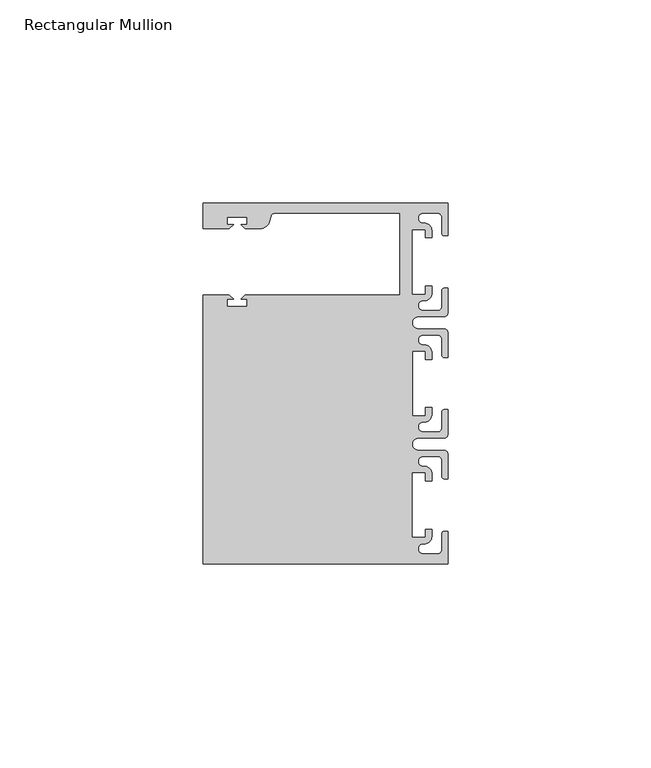
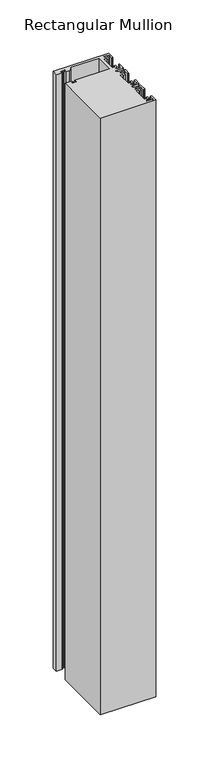
"""IFC4 building model written with IfcOpenShell, lengths in millimetres: member geometry, Rectangular Mullion."""

from ifc_helpers import new_model, si_unit, point, frame, frame_2d, origin, place, context, project, spatial, polyline, circle_curve, trimmed, segment, composite_curve, outline, extrude, source, transform, mapped, element, save


def rectangular_mullion_bed5914f(model_context):
    return source(origin(), model_context, "Body", "SweptSolid", [
        extrude(outline(composite_curve([segment(polyline([(0.0, 44.45), (0.0, 36.4500318), (-1.0, 36.4500318)]), True, "CONTINUOUS"), segment(trimmed(circle_curve(frame_2d((-1.0, 36.9500318)), 0.5), [point((-1.0, 36.4500318))], [point((-1.5, 36.9500318))], False, "CARTESIAN"), True, "CONTINUOUS"), segment(polyline([(-1.5, 36.9500318), (-1.5, 40.95)]), True, "CONTINUOUS"), segment(trimmed(circle_curve(frame_2d((-2.5, 40.95)), 1.0), [point((-1.5, 40.95))], [point((-2.5, 41.95))], True, "CARTESIAN"), True, "CONTINUOUS"), segment(polyline([(-2.5, 41.95), (-6.0499986, 41.95)]), True, "CONTINUOUS"), segment(trimmed(circle_curve(frame_2d((-6.0499986, 40.6999986)), 1.2500014), [point((-6.0499986, 41.95))], [point((-5.9027291, 39.4587029))], True, "CARTESIAN"), True, "CONTINUOUS"), segment(trimmed(circle_curve(frame_2d((-5.7186029, 37.7499972)), 1.7185975), [point((-5.9027291, 39.4587029))], [point((-4.0000054, 37.7499972))], False, "CARTESIAN"), True, "CONTINUOUS"), segment(polyline([(-4.0000054, 37.7499972), (-4.0000054, 35.9500318), (-5.5, 35.9500318), (-5.5, 37.9499972), (-8.8585786, 37.9499972), (-8.8585786, 21.9499956), (-5.5, 21.9499956), (-5.5, 23.9499611), (-3.9999946, 23.9499611), (-3.9999946, 22.0272972)]), True, "CONTINUOUS"), segment(trimmed(circle_curve(frame_2d((-5.7543344, 22.1865598)), 1.761554), [point((-3.9999946, 22.0272972))], [point((-6.0499986, 20.4499956))], False, "CARTESIAN"), True, "CONTINUOUS"), segment(trimmed(circle_curve(frame_2d((-6.0499986, 19.1999942)), 1.2500014), [point((-6.0499986, 20.4499956))], [point((-6.0499986, 17.9499929))], True, "CARTESIAN"), True, "CONTINUOUS"), segment(polyline([(-6.0499986, 17.9499929), (-2.5, 17.9499929)]), True, "CONTINUOUS"), segment(trimmed(circle_curve(frame_2d((-2.5, 18.9499929)), 1.0), [point((-2.5, 17.9499929))], [point((-1.5, 18.9499929))], True, "CARTESIAN"), True, "CONTINUOUS"), segment(polyline([(-1.5, 18.9499929), (-1.5, 22.9499611)]), True, "CONTINUOUS"), segment(trimmed(circle_curve(frame_2d((-1.0, 22.9499611)), 0.5), [point((-1.5, 22.9499611))], [point((-1.0, 23.4499611))], False, "CARTESIAN"), True, "CONTINUOUS"), segment(polyline([(-1.0, 23.4499611), (0.0, 23.4499611), (0.0, 17.4499929)]), True, "CONTINUOUS"), segment(trimmed(circle_curve(frame_2d((-1.0, 17.4499929)), 1.0), [point((0.0, 17.4499929))], [point((-1.0, 16.4499929))], False, "CARTESIAN"), True, "CONTINUOUS"), segment(polyline([(-1.0, 16.4499929), (-7.3, 16.4499929)]), True, "CONTINUOUS"), segment(trimmed(circle_curve(frame_2d((-7.3, 14.9499929)), 1.5), [point((-7.3, 16.4499929))], [point((-7.3046244, 13.45))], True, "CARTESIAN"), True, "CONTINUOUS"), segment(polyline([(-7.3046244, 13.45), (-1.0, 13.45)]), True, "CONTINUOUS"), segment(trimmed(circle_curve(frame_2d((-1.0, 12.45)), 1.0), [point((-1.0, 13.45))], [point((0.0, 12.45))], False, "CARTESIAN"), True, "CONTINUOUS"), segment(polyline([(0.0, 12.45), (0.0, 6.4500354), (-0.9999964, 6.4500354)]), True, "CONTINUOUS"), segment(trimmed(circle_curve(frame_2d((-0.9999964, 6.9500354)), 0.5), [point((-0.9999964, 6.4500354))], [point((-1.4999964, 6.9500354))], False, "CARTESIAN"), True, "CONTINUOUS"), segment(polyline([(-1.4999964, 6.9500354), (-1.4999964, 10.95)]), True, "CONTINUOUS"), segment(trimmed(circle_curve(frame_2d((-2.4999964, 10.95)), 1.0), [point((-1.4999964, 10.95))], [point((-2.4999964, 11.95))], True, "CARTESIAN"), True, "CONTINUOUS"), segment(polyline([(-2.4999964, 11.95), (-6.0499986, 11.95)]), True, "CONTINUOUS"), segment(trimmed(circle_curve(frame_2d((-6.0499986, 10.6999986)), 1.2500014), [point((-6.0499986, 11.95))], [point((-6.0499986, 9.4499972))], True, "CARTESIAN"), True, "CONTINUOUS"), segment(trimmed(circle_curve(frame_2d((-5.7298824, 7.7499972)), 1.729877), [point((-6.0499986, 9.4499972))], [point((-4.0000054, 7.7499972))], False, "CARTESIAN"), True, "CONTINUOUS"), segment(polyline([(-4.0000054, 7.7499972), (-4.0000054, 5.9500318), (-5.5, 5.9500318), (-5.5, 7.9499972), (-8.8, 7.9499972), (-8.8, -7.9499972), (-5.5, -7.9499972), (-5.5, -5.9500318), (-4.0000054, -5.9500318), (-4.0000054, -7.7499972)]), True, "CONTINUOUS"), segment(trimmed(circle_curve(frame_2d((-5.7298824, -7.7499972)), 1.729877), [point((-4.0000054, -7.7499972))], [point((-6.0499986, -9.4499972))], False, "CARTESIAN"), True, "CONTINUOUS"), segment(trimmed(circle_curve(frame_2d((-6.0499986, -10.6999986)), 1.2500014), [point((-6.0499986, -9.4499972))], [point((-6.0499986, -11.95))], True, "CARTESIAN"), True, "CONTINUOUS"), segment(polyline([(-6.0499986, -11.95), (-2.4999964, -11.95)]), True, "CONTINUOUS"), segment(trimmed(circle_curve(frame_2d((-2.4999964, -10.95)), 1.0), [point((-2.4999964, -11.95))], [point((-1.4999964, -10.95))], True, "CARTESIAN"), True, "CONTINUOUS"), segment(polyline([(-1.4999964, -10.95), (-1.4999964, -6.9500354)]), True, "CONTINUOUS"), segment(trimmed(circle_curve(frame_2d((-0.9999964, -6.9500354)), 0.5), [point((-1.4999964, -6.9500354))], [point((-0.9999964, -6.4500354))], False, "CARTESIAN"), True, "CONTINUOUS"), segment(polyline([(-0.9999964, -6.4500354), (0.0, -6.4500354), (0.0, -12.45)]), True, "CONTINUOUS"), segment(trimmed(circle_curve(frame_2d((-1.0, -12.45)), 1.0), [point((0.0, -12.45))], [point((-1.0, -13.45))], False, "CARTESIAN"), True, "CONTINUOUS"), segment(polyline([(-1.0, -13.45), (-7.3046244, -13.45)]), True, "CONTINUOUS"), segment(trimmed(circle_curve(frame_2d((-7.3, -14.9499929)), 1.5), [point((-7.3046244, -13.45))], [point((-7.3, -16.4499929))], True, "CARTESIAN"), True, "CONTINUOUS"), segment(polyline([(-7.3, -16.4499929), (-1.0, -16.4499929)]), True, "CONTINUOUS"), segment(trimmed(circle_curve(frame_2d((-1.0, -17.4499929)), 1.0), [point((-1.0, -16.4499929))], [point((0.0, -17.4499929))], False, "CARTESIAN"), True, "CONTINUOUS"), segment(polyline([(0.0, -17.4499929), (0.0, -23.4499611), (-1.0, -23.4499611)]), True, "CONTINUOUS"), segment(trimmed(circle_curve(frame_2d((-1.0, -22.9499611)), 0.5), [point((-1.0, -23.4499611))], [point((-1.5, -22.9499611))], False, "CARTESIAN"), True, "CONTINUOUS"), segment(polyline([(-1.5, -22.9499611), (-1.5, -18.9499929)]), True, "CONTINUOUS"), segment(trimmed(circle_curve(frame_2d((-2.5, -18.9499929)), 1.0), [point((-1.5, -18.9499929))], [point((-2.5, -17.9499929))], True, "CARTESIAN"), True, "CONTINUOUS"), segment(polyline([(-2.5, -17.9499929), (-6.0499986, -17.9499929)]), True, "CONTINUOUS"), segment(trimmed(circle_curve(frame_2d((-6.0499986, -19.1999942)), 1.2500014), [point((-6.0499986, -17.9499929))], [point((-6.0499986, -20.4499956))], True, "CARTESIAN"), True, "CONTINUOUS"), segment(trimmed(circle_curve(frame_2d((-5.7543344, -22.1865598)), 1.761554), [point((-6.0499986, -20.4499956))], [point((-3.9999946, -22.0272972))], False, "CARTESIAN"), True, "CONTINUOUS"), segment(polyline([(-3.9999946, -22.0272972), (-3.9999946, -23.9499611), (-5.5, -23.9499611), (-5.5, -21.9499956), (-8.8585786, -21.9499956), (-8.8585786, -37.9499972), (-5.5, -37.9499972), (-5.5, -35.9500318), (-4.0000054, -35.9500318), (-4.0000054, -37.7499972)]), True, "CONTINUOUS"), segment(trimmed(circle_curve(frame_2d((-5.7186029, -37.7499972)), 1.7185975), [point((-4.0000054, -37.7499972))], [point((-5.9027291, -39.4587029))], False, "CARTESIAN"), True, "CONTINUOUS"), segment(trimmed(circle_curve(frame_2d((-6.0499986, -40.6999986)), 1.2500014), [point((-5.9027291, -39.4587029))], [point((-6.0499986, -41.95))], True, "CARTESIAN"), True, "CONTINUOUS"), segment(polyline([(-6.0499986, -41.95), (-2.5, -41.95)]), True, "CONTINUOUS"), segment(trimmed(circle_curve(frame_2d((-2.5, -40.95)), 1.0), [point((-2.5, -41.95))], [point((-1.5, -40.95))], True, "CARTESIAN"), True, "CONTINUOUS"), segment(polyline([(-1.5, -40.95), (-1.5, -36.9500318)]), True, "CONTINUOUS"), segment(trimmed(circle_curve(frame_2d((-1.0, -36.9500318)), 0.5), [point((-1.5, -36.9500318))], [point((-1.0, -36.4500318))], False, "CARTESIAN"), True, "CONTINUOUS"), segment(polyline([(-1.0, -36.4500318), (0.0, -36.4500318), (0.0, -44.45), (-60.325, -44.45), (-60.325, 21.749999), (-53.8507562, 21.749999), (-52.8507405, 20.7499834), (-54.4250134, 20.7499834), (-54.4250134, 18.949936), (-49.4250186, 18.949936), (-49.4250186, 20.7499834), (-50.999256, 20.7499834), (-49.9992434, 21.7499959), (-11.8, 21.7499959), (-11.8, 41.95), (-42.6099329, 41.95)]), True, "CONTINUOUS"), segment(trimmed(circle_curve(frame_2d((-42.6099329, 40.9500001)), 1.0), [point((-42.6099329, 41.95))], [point((-43.5758588, 41.2088192))], True, "CARTESIAN"), True, "CONTINUOUS"), segment(polyline([(-43.5758588, 41.2088192), (-43.8989707, 40.002949)]), True, "CONTINUOUS"), segment(trimmed(circle_curve(frame_2d((-46.3137853, 40.6499966)), 2.5), [point((-43.8989707, 40.002949))], [point((-46.3137853, 38.1499966))], False, "CARTESIAN"), True, "CONTINUOUS"), segment(polyline([(-46.3137853, 38.1499966), (-49.9992503, 38.1499966), (-50.999256, 39.1500023), (-49.4249831, 39.1500023), (-49.4249831, 40.9498819), (-54.4249778, 40.9498819), (-54.4249778, 39.1500023), (-52.8507405, 39.1500023), (-53.8507531, 38.1499897), (-60.3249977, 38.1499897), (-60.3249977, 44.45), (0.0, 44.45)]), True, "CONTINUOUS")], self_intersect=False)), frame((0.0, 0.0, -685.8), z_axis=(0.0, 0.0, 1.0), x_axis=(1.0, 0.0, 0.0)), (0.0, 0.0, 1.0), 685.8),
    ])


if __name__ == "__main__":
    model = new_model("IFC4")
    model_context = context("Model", 3, world=origin())
    ifc_project = project(units=[si_unit("LENGTHUNIT", "METRE", prefix="MILLI")], contexts=[model_context])
    site = spatial("IfcSite", under=ifc_project)
    building = spatial("IfcBuilding", under=site)
    placement = place(None, origin())
    rectangular_mullion_shape = rectangular_mullion_bed5914f(model_context)
    element("IfcMember", 1, ObjectType="Rectangular Mullion", at=placement, inside=building, context=model_context, shape_type="MappedRepresentation", body=[
        mapped(rectangular_mullion_shape, transform((0.0, 0.0, 0.0), x_axis=(1.0, 0.0, 0.0), y_axis=(0.0, 1.0, 0.0), z_axis=(0.0, 0.0, 1.0))),
    ])
    save(model, "model.ifc")
